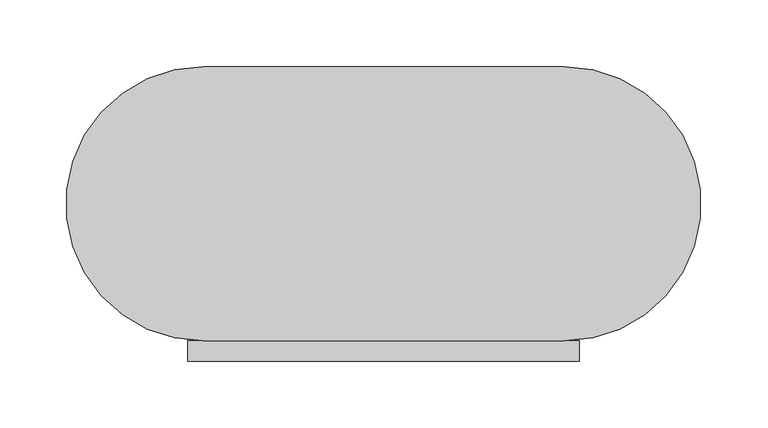
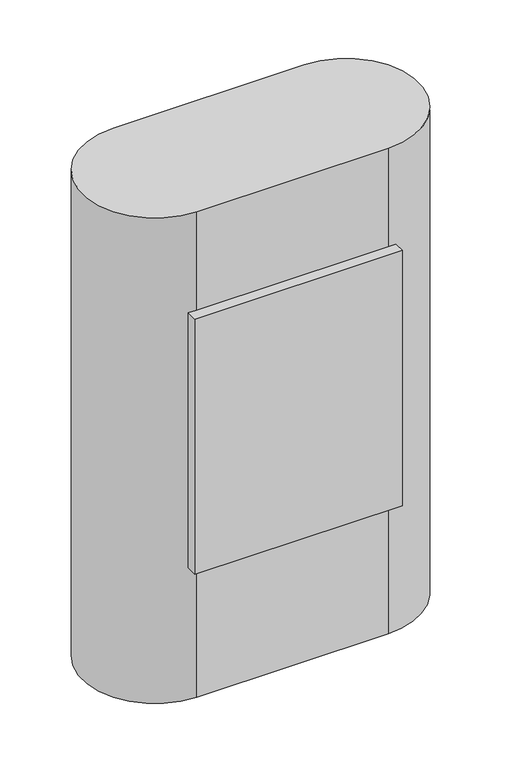
"""IFC4 building model written with IfcOpenShell, lengths in millimetres: furniture geometry."""

from ifc_helpers import new_model, si_unit, point, frame, frame_2d, origin, place, context, project, spatial, polyline, circle_curve, ellipse_curve, trimmed, segment, composite_curve, outline, extrude, source, transform, mapped, element, save
from ifc_brep_helpers import plane_surface, cylinder_surface, revolved_surface, advanced_brep


def furniture_1e765921(model_context):
    return source(origin(), model_context, "Body", "SolidModel", [
        extrude(outline(composite_curve([segment(trimmed(circle_curve(frame_2d((-10.0, 292.5)), 102.5), [point((-21.5, 190.647165))], [point((-10.0, 190.0))], True, "CARTESIAN"), True, "CONTINUOUS"), segment(polyline([(-10.0, 190.0), (260.0, 190.0)]), True, "CONTINUOUS"), segment(trimmed(circle_curve(frame_2d((260.0, 292.5)), 102.5), [point((260.0, 190.0))], [point((271.5, 190.647165))], True, "CARTESIAN"), True, "CONTINUOUS"), segment(polyline([(271.5, 190.647165), (271.5, 175.0), (-21.5, 175.0), (-21.5, 190.647165)]), True, "CONTINUOUS")], self_intersect=False)), frame((0.0, 0.0, 196.5), z_axis=(0.0, 0.0, 1.0), x_axis=(1.0, 0.0, 0.0)), (0.0, 0.0, 1.0), 381.0),
        advanced_brep(
        [(260.0, 195.0, 722.0), (-10.0, 195.0, 722.0), (-10.0, 390.0, 722.0), (260.0, 390.0, 722.0), (-10.0, 195.0, 3.0), (260.0, 195.0, 3.0), (260.0, 390.0, 3.0), (-10.0, 390.0, 3.0), (222.2533532, 391.3711311, 577.5), (27.7466468, 391.3711311, 577.5), (16.2, 395.0, 577.5), (233.8, 395.0, 577.5), (225.1136302, 387.2700562, 577.5), (24.8863698, 387.2700562, 577.5), (233.8, 390.0, 577.5), (16.2, 390.0, 577.5), (-10.0, 190.0, 725.0), (260.0, 190.0, 725.0), (260.0, 395.0, 725.0), (-10.0, 395.0, 725.0), (-10.0, 190.0, 0.0), (-10.0, 395.0, 0.0), (260.0, 395.0, 0.0), (260.0, 190.0, 0.0)],
        [
            (0, 1),
            (1, 2, circle_curve(frame((-10.0, 292.5, 722.0), z_axis=(0.0, 0.0, -1.0), x_axis=(-1.0, 0.0, 0.0)), 97.5)),
            (2, 3),
            (3, 0, circle_curve(frame((260.0, 292.5, 722.0), z_axis=(0.0, 0.0, -1.0), x_axis=(1.0, 0.0, 0.0)), 97.5)),
            (4, 5),
            (5, 6, circle_curve(frame((260.0, 292.5, 3.0), z_axis=(0.0, 0.0, 1.0), x_axis=(1.0, 0.0, 0.0)), 97.5)),
            (6, 7),
            (7, 4, circle_curve(frame((-10.0, 292.5, 3.0), z_axis=(0.0, 0.0, 1.0), x_axis=(-1.0, 0.0, 0.0)), 97.5)),
            (8, 9, circle_curve(frame((125.0, 391.3711311, 577.5), z_axis=(0.0, -1.0, 0.0), x_axis=(-1.0, 0.0, 0.0)), 97.2533532)),
            (9, 10, circle_curve(frame((16.2, 374.8155091, 577.5), z_axis=(0.0, 0.0, 1.0), x_axis=(0.0, 1.0, 0.0)), 20.1844909)),
            (10, 11, circle_curve(frame((125.0, 395.0, 577.5), z_axis=(0.0, 1.0, 0.0), x_axis=(-1.0, 0.0, 0.0)), 108.8)),
            (11, 8, circle_curve(frame((233.8, 374.8155091, 577.5), z_axis=(0.0, 0.0, 1.0), x_axis=(0.0, 1.0, 0.0)), 20.1844909)),
            (8, 12, circle_curve(frame((223.6834917, 389.3205937, 577.5), z_axis=(0.0, 0.0, 1.0), x_axis=(0.0, 1.0, 0.0)), 2.5)),
            (12, 13, circle_curve(frame((125.0, 387.2700562, 577.5), z_axis=(0.0, -1.0, 0.0), x_axis=(-1.0, 0.0, 0.0)), 100.1136302)),
            (13, 9, circle_curve(frame((26.3165083, 389.3205937, 577.5), z_axis=(0.0, 0.0, 1.0), x_axis=(0.0, 1.0, 0.0)), 2.5)),
            (12, 14, circle_curve(frame((233.8, 374.8155091, 577.5), z_axis=(0.0, 0.0, -1.0), x_axis=(0.0, 1.0, 0.0)), 15.1844909)),
            (14, 15, circle_curve(frame((125.0, 390.0, 577.5), z_axis=(0.0, -1.0, 0.0), x_axis=(-1.0, 0.0, 0.0)), 108.8)),
            (15, 13, circle_curve(frame((16.2, 374.8155091, 577.5), z_axis=(0.0, 0.0, -1.0), x_axis=(0.0, 1.0, 0.0)), 15.1844909)),
            (9, 8, circle_curve(frame((125.0, 391.3711311, 577.5), z_axis=(0.0, -1.0, 0.0), x_axis=(1.0, 0.0, 0.0)), 97.2533532)),
            (11, 10, circle_curve(frame((125.0, 395.0, 577.5), z_axis=(0.0, 1.0, 0.0), x_axis=(1.0, 0.0, 0.0)), 108.8)),
            (13, 12, circle_curve(frame((125.0, 387.2700562, 577.5), z_axis=(0.0, -1.0, 0.0), x_axis=(1.0, 0.0, 0.0)), 100.1136302)),
            (15, 14, circle_curve(frame((125.0, 390.0, 577.5), z_axis=(0.0, -1.0, 0.0), x_axis=(1.0, 0.0, 0.0)), 108.8)),
            (16, 17),
            (17, 18, circle_curve(frame((260.0, 292.5, 725.0), z_axis=(0.0, 0.0, 1.0), x_axis=(1.0, 0.0, 0.0)), 102.5)),
            (18, 19),
            (19, 16, circle_curve(frame((-10.0, 292.5, 725.0), z_axis=(0.0, 0.0, 1.0), x_axis=(-1.0, 0.0, 0.0)), 102.5)),
            (20, 21, circle_curve(frame((-10.0, 292.5, 0.0), z_axis=(0.0, 0.0, -1.0), x_axis=(-1.0, 0.0, 0.0)), 102.5)),
            (21, 22),
            (22, 23, circle_curve(frame((260.0, 292.5, 0.0), z_axis=(0.0, 0.0, -1.0), x_axis=(1.0, 0.0, 0.0)), 102.5)),
            (23, 20),
            (16, 20),
            (23, 17),
            (18, 22),
            (21, 19),
            (0, 5),
            (4, 1),
            (7, 2),
            (6, 3),
        ],
        [
            plane_surface(frame((260.0, 195.0, 722.0), z_axis=(0.0, 0.0, -1.0), x_axis=(-1.0, 0.0, 0.0))),
            plane_surface(frame((357.5, 292.5, 3.0), z_axis=(0.0, 0.0, 1.0), x_axis=(0.0, 1.0, 0.0))),
            revolved_surface(trimmed(ellipse_curve(frame((16.2, 374.8155091, 577.5), z_axis=(0.0, 0.0, -1.0), x_axis=(0.0, 1.0, 0.0)), 20.1844909, 20.1844909), [point((16.2, 395.0, 577.5))], [point((27.7466468, 391.3711311, 577.5))], True, "CARTESIAN"), (125.0, 395.0, 577.5), (0.0, 1.0, 0.0)),
            revolved_surface(trimmed(ellipse_curve(frame((26.3165083, 389.3205937, 577.5), z_axis=(0.0, 0.0, -1.0), x_axis=(0.0, 1.0, 0.0)), 2.5, 2.5), [point((27.7466468, 391.3711311, 577.5))], [point((24.8863698, 387.2700562, 577.5))], True, "CARTESIAN"), (125.0, 395.0, 577.5), (0.0, 1.0, 0.0)),
            revolved_surface(trimmed(ellipse_curve(frame((16.2, 374.8155091, 577.5), z_axis=(0.0, 0.0, 1.0), x_axis=(0.0, 1.0, 0.0)), 15.1844909, 15.1844909), [point((24.8863698, 387.2700562, 577.5))], [point((16.2, 390.0, 577.5))], True, "CARTESIAN"), (125.0, 395.0, 577.5), (0.0, 1.0, 0.0)),
            revolved_surface(trimmed(ellipse_curve(frame((233.8, 374.8155091, 577.5), z_axis=(0.0, 0.0, 1.0), x_axis=(0.0, 1.0, 0.0)), 20.1844909, 20.1844909), [point((233.8, 395.0, 577.5))], [point((222.2533532, 391.3711311, 577.5))], True, "CARTESIAN"), (125.0, 395.0, 577.5), (0.0, 1.0, 0.0)),
            revolved_surface(trimmed(ellipse_curve(frame((223.6834917, 389.3205937, 577.5), z_axis=(0.0, 0.0, 1.0), x_axis=(0.0, 1.0, 0.0)), 2.5, 2.5), [point((222.2533532, 391.3711311, 577.5))], [point((225.1136302, 387.2700562, 577.5))], True, "CARTESIAN"), (125.0, 395.0, 577.5), (0.0, 1.0, 0.0)),
            revolved_surface(trimmed(ellipse_curve(frame((233.8, 374.8155091, 577.5), z_axis=(0.0, 0.0, -1.0), x_axis=(0.0, 1.0, 0.0)), 15.1844909, 15.1844909), [point((225.1136302, 387.2700562, 577.5))], [point((233.8, 390.0, 577.5))], True, "CARTESIAN"), (125.0, 395.0, 577.5), (0.0, 1.0, 0.0)),
            plane_surface(frame((250.0, 190.0, 725.0), z_axis=(0.0, 0.0, 1.0), x_axis=(1.0, 0.0, 0.0))),
            plane_surface(frame((250.0, 190.0, 0.0), z_axis=(0.0, 0.0, -1.0), x_axis=(-1.0, 0.0, 0.0))),
            plane_surface(frame((-10.0, 190.0, 725.0), z_axis=(0.0, -1.0, 0.0), x_axis=(0.0, 0.0, -1.0))),
            plane_surface(frame((260.0, 395.0, 725.0), z_axis=(0.0, 1.0, 0.0), x_axis=(0.0, 0.0, -1.0))),
            cylinder_surface(frame((260.0, 292.5, 0.0), z_axis=(0.0, 0.0, 1.0), x_axis=(1.0, 0.0, 0.0)), 102.5),
            cylinder_surface(frame((-10.0, 292.5, 0.0), z_axis=(0.0, 0.0, 1.0), x_axis=(-1.0, 0.0, 0.0)), 102.5),
            plane_surface(frame((260.0, 195.0, 725.0), z_axis=(0.0, 1.0, 0.0), x_axis=(0.0, 0.0, -1.0))),
            revolved_surface(polyline([(-107.5, 292.5, 3.0), (-107.5, 292.5, 722.0)]), (-10.0, 292.5, 0.0), (0.0, 0.0, -1.0)),
            plane_surface(frame((-10.0, 390.0, 725.0), z_axis=(0.0, -1.0, 0.0), x_axis=(0.0, 0.0, -1.0))),
            revolved_surface(polyline([(357.5, 292.5, 3.0), (357.5, 292.5, 722.0)]), (260.0, 292.5, 0.0), (0.0, 0.0, -1.0)),
        ],
        [
            (0, [[1, 2, 3, 4]]),
            (1, [[5, 6, 7, 8]]),
            (2, [[9, 10, 11, 12]]),
            (3, [[-9, 13, 14, 15]]),
            (4, [[-14, 16, 17, 18]]),
            (5, [[-10, 19, -12, 20]]),
            (6, [[-15, 21, -13, -19]]),
            (7, [[-18, 22, -16, -21]]),
            (8, [[23, 24, 25, 26]]),
            (9, [[27, 28, 29, 30]]),
            (10, [[-23, 31, -30, 32]]),
            (11, [[-25, 33, -28, 34], [-11, -20]]),
            (12, [[-24, -32, -29, -33]]),
            (13, [[-26, -34, -27, -31]]),
            (14, [[-1, 35, -5, 36]]),
            (15, [[-2, -36, -8, 37]]),
            (16, [[-3, -37, -7, 38], [-17, -22]]),
            (17, [[-4, -38, -6, -35]]),
        ],
    ),
    ])


if __name__ == "__main__":
    model = new_model("IFC4")
    model_context = context("Model", 3, world=origin())
    ifc_project = project(units=[si_unit("LENGTHUNIT", "METRE", prefix="MILLI")], contexts=[model_context])
    site = spatial("IfcSite", under=ifc_project)
    building = spatial("IfcBuilding", under=site)
    placement = place(None, origin())
    furniture_shape = furniture_1e765921(model_context)
    element("IfcFurniture", 1, at=placement, inside=building, context=model_context, shape_type="MappedRepresentation", body=[
        mapped(furniture_shape, transform((0.0, 0.0, 0.0), x_axis=(1.0, 0.0, 0.0), y_axis=(0.0, 1.0, 0.0), z_axis=(0.0, 0.0, 1.0))),
    ])
    save(model, "model.ifc")
